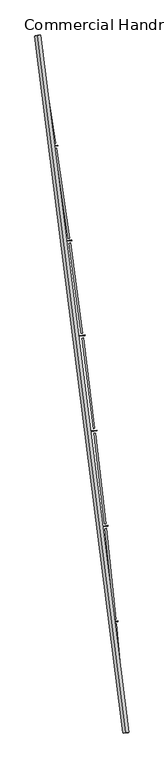
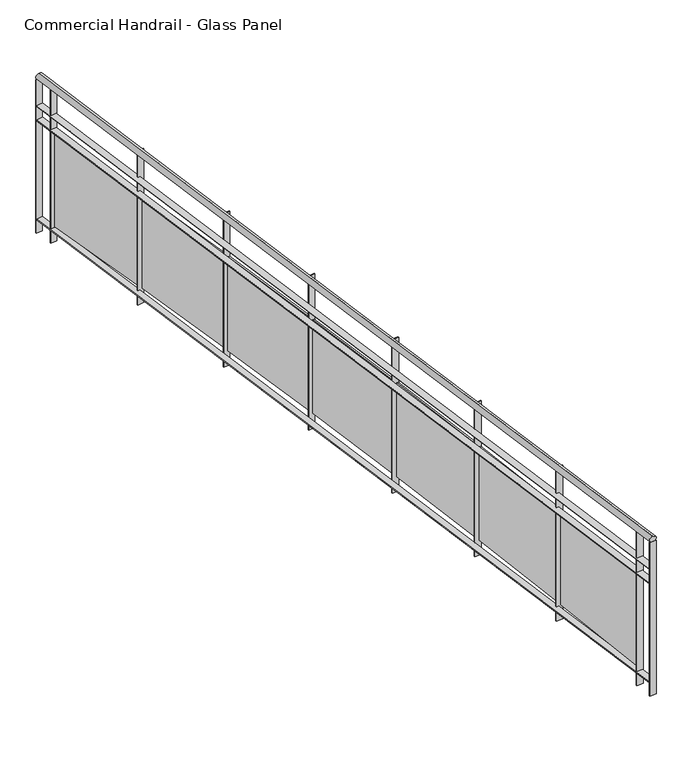
"""IFC4 building model written with IfcOpenShell, lengths in millimetres: railing geometry, Commercial Handrail - Glass Panel."""

from ifc_helpers import new_model, si_unit, point, frame, origin, place, context, project, spatial, polyline, circle_curve, ellipse_curve, trimmed, outline, extrude, source, transform, mapped, element, save
from ifc_brep_helpers import plane_surface, cylinder_surface, revolved_surface, advanced_brep


def commercial_handrail_glass_panel_e3afb33d(model_context):
    return source(origin(), model_context, "Body", "SolidModel", [
        advanced_brep(
        [(182571.9295754, -52879.5364282, 33282.5), (181834.8110467, -47067.1917957, 33282.5), (181834.8110467, -47067.1917957, 33317.5), (182571.9295754, -52879.5364282, 33317.5)],
        [
            (0, 1, circle_curve(frame((104368.4569212, -59844.3474174, 33282.5), z_axis=(0.0, 0.0, 1.0), x_axis=(0.9866690945138685, 0.16273935581531185, 0.0)), 78513.0035554)),
            (1, 2, ellipse_curve(frame((181834.8110467, -47067.1917957, 33300.0), z_axis=(0.16273935581530558, -0.9866690945138697, 0.0), x_axis=(-0.9866690945138695, -0.16273935581530555, 0.0)), 25.0, 17.5)),
            (2, 3, circle_curve(frame((104368.4569212, -59844.3474174, 33317.5), z_axis=(0.0, 0.0, -1.0), x_axis=(0.9866690945138685, 0.16273935581531185, 0.0)), 78513.0035554)),
            (3, 0, ellipse_curve(frame((182571.9295754, -52879.5364282, 33300.0), z_axis=(-0.08870901218759285, 0.9960575842574071, 0.0), x_axis=(-0.9960575842574071, -0.08870901218759285, 0.0)), 25.0, 17.5)),
            (2, 1, ellipse_curve(frame((181834.8110467, -47067.1917957, 33300.0), z_axis=(0.16273935581530558, -0.9866690945138697, 0.0), x_axis=(-0.9866690945138695, -0.16273935581530555, 0.0)), 25.0, 17.5)),
            (0, 3, ellipse_curve(frame((182571.9295754, -52879.5364282, 33300.0), z_axis=(-0.08870901218759285, 0.9960575842574071, 0.0), x_axis=(-0.9960575842574071, -0.08870901218759285, 0.0)), 25.0, 17.5)),
        ],
        [
            revolved_surface(trimmed(ellipse_curve(frame((181834.8110467, -47067.1917957, 33300.0), z_axis=(-0.16273935581531185, 0.9866690945138685, 0.0), x_axis=(0.0, 0.0, -1.0)), 17.5, 25.0), [point((181834.8110467, -47067.1917957, 33317.5))], [point((181834.8110467, -47067.1917957, 33282.5))], True, "CARTESIAN"), (104368.4569212, -59844.3474174, 33300.0), (0.0, 0.0, -1.0)),
            revolved_surface(trimmed(ellipse_curve(frame((181834.8110467, -47067.1917957, 33300.0), z_axis=(-0.16273935581531185, 0.9866690945138685, 0.0), x_axis=(0.0, 0.0, -1.0)), 17.5, 25.0), [point((181834.8110467, -47067.1917957, 33282.5))], [point((181834.8110467, -47067.1917957, 33317.5))], True, "CARTESIAN"), (104368.4569212, -59844.3474174, 33300.0), (0.0, 0.0, -1.0)),
            plane_surface(frame((181834.8110467, -47067.1917957, 33300.0), z_axis=(-0.16273935581531188, 0.9866690945138686, 0.0), x_axis=(0.9866690945138686, 0.16273935581531188, 0.0))),
            plane_surface(frame((182571.9295754, -52879.5364282, 33300.0), z_axis=(0.08870901218759289, -0.9960575842574071, 0.0), x_axis=(0.9960575842574071, 0.08870901218759289, 0.0))),
        ],
        [
            (0, [[1, 2, 3, 4]]),
            (1, [[-3, 5, -1, 6]]),
            (2, [[-2, -5]]),
            (3, [[-6, -4]]),
        ],
    ),
        advanced_brep(
        [(182594.340871, -52877.5404754, 33100.0), (181857.0111014, -47063.5301602, 33100.0), (181812.6109921, -47070.8534312, 33100.0), (182549.5182797, -52881.5323809, 33100.0), (182594.340871, -52877.5404754, 33094.0), (181857.0111014, -47063.5301602, 33094.0), (182549.5182797, -52881.5323809, 33094.0), (181812.6109921, -47070.8534312, 33094.0)],
        [
            (0, 1, circle_curve(frame((104368.4569212, -59844.3474174, 33100.0), z_axis=(0.0, 0.0, 1.0), x_axis=(0.9866690945138685, 0.16273935581531185, 0.0)), 78535.5035554)),
            (1, 2),
            (2, 3, circle_curve(frame((104368.4569212, -59844.3474174, 33100.0), z_axis=(0.0, 0.0, -1.0), x_axis=(0.9866690945138685, 0.16273935581531185, 0.0)), 78490.5035554)),
            (3, 0),
            (4, 5, circle_curve(frame((104368.4569212, -59844.3474174, 33094.0), z_axis=(0.0, 0.0, 1.0), x_axis=(0.9866690945138685, 0.16273935581531185, 0.0)), 78535.5035554)),
            (5, 1),
            (0, 4),
            (6, 7, circle_curve(frame((104368.4569212, -59844.3474174, 33094.0), z_axis=(0.0, 0.0, 1.0), x_axis=(0.9866690945138685, 0.16273935581531185, 0.0)), 78490.5035554)),
            (7, 5),
            (4, 6),
            (2, 7),
            (6, 3),
        ],
        [
            plane_surface(frame((104368.4569212, -59844.3474174, 33100.0), z_axis=(0.0, 0.0, 1.0000000000000002), x_axis=(0.9866690945138686, 0.16273935581531188, 0.0))),
            cylinder_surface(frame((104368.4569212, -59844.3474174, 33100.0), z_axis=(0.0, 0.0, -1.0), x_axis=(0.9866690945138685, 0.16273935581531185, 0.0)), 78535.5035554),
            plane_surface(frame((104368.4569212, -59844.3474174, 33094.0), z_axis=(0.0, 0.0, -1.0000000000000002), x_axis=(0.9866690945138686, 0.16273935581531188, 0.0))),
            revolved_surface(polyline([(181812.6109921441, -47070.85343117476, 33094.0), (181812.6109921441, -47070.85343117476, 33100.0)]), (104368.4569212, -59844.3474174, 33100.0), (0.0, 0.0, -1.0)),
            plane_surface(frame((181834.8110467, -47067.1917957, 33100.0), z_axis=(-0.16273935581531188, 0.9866690945138686, 0.0), x_axis=(0.9866690945138686, 0.16273935581531188, 0.0))),
            plane_surface(frame((182571.9295754, -52879.5364282, 33100.0), z_axis=(0.08870901218759289, -0.9960575842574071, 0.0), x_axis=(0.9960575842574071, 0.08870901218759289, 0.0))),
        ],
        [
            (0, [[1, 2, 3, 4]]),
            (1, [[5, 6, -1, 7]]),
            (2, [[8, 9, -5, 10]]),
            (3, [[-3, 11, -8, 12]]),
            (4, [[-2, -6, -9, -11]]),
            (5, [[-12, -10, -7, -4]]),
        ],
    ),
        advanced_brep(
        [(182594.340871, -52877.5404754, 33000.0), (181857.0111014, -47063.5301602, 33000.0), (181812.6109921, -47070.8534312, 33000.0), (182549.5182797, -52881.5323809, 33000.0), (182594.340871, -52877.5404754, 32994.0), (181857.0111014, -47063.5301602, 32994.0), (182549.5182797, -52881.5323809, 32994.0), (181812.6109921, -47070.8534312, 32994.0)],
        [
            (0, 1, circle_curve(frame((104368.4569212, -59844.3474174, 33000.0), z_axis=(0.0, 0.0, 1.0), x_axis=(0.9866690945138685, 0.16273935581531185, 0.0)), 78535.5035554)),
            (1, 2),
            (2, 3, circle_curve(frame((104368.4569212, -59844.3474174, 33000.0), z_axis=(0.0, 0.0, -1.0), x_axis=(0.9866690945138685, 0.16273935581531185, 0.0)), 78490.5035554)),
            (3, 0),
            (4, 5, circle_curve(frame((104368.4569212, -59844.3474174, 32994.0), z_axis=(0.0, 0.0, 1.0), x_axis=(0.9866690945138685, 0.16273935581531185, 0.0)), 78535.5035554)),
            (5, 1),
            (0, 4),
            (6, 7, circle_curve(frame((104368.4569212, -59844.3474174, 32994.0), z_axis=(0.0, 0.0, 1.0), x_axis=(0.9866690945138685, 0.16273935581531185, 0.0)), 78490.5035554)),
            (7, 5),
            (4, 6),
            (2, 7),
            (6, 3),
        ],
        [
            plane_surface(frame((104368.4569212, -59844.3474174, 33000.0), z_axis=(0.0, 0.0, 1.0000000000000002), x_axis=(0.9866690945138686, 0.16273935581531188, 0.0))),
            cylinder_surface(frame((104368.4569212, -59844.3474174, 33000.0), z_axis=(0.0, 0.0, -1.0), x_axis=(0.9866690945138685, 0.16273935581531185, 0.0)), 78535.5035554),
            plane_surface(frame((104368.4569212, -59844.3474174, 32994.0), z_axis=(0.0, 0.0, -1.0000000000000002), x_axis=(0.9866690945138686, 0.16273935581531188, 0.0))),
            revolved_surface(polyline([(181812.6109921441, -47070.85343117476, 32994.0), (181812.6109921441, -47070.85343117476, 33000.0)]), (104368.4569212, -59844.3474174, 33000.0), (0.0, 0.0, -1.0)),
            plane_surface(frame((181834.8110467, -47067.1917957, 33000.0), z_axis=(-0.16273935581531188, 0.9866690945138686, 0.0), x_axis=(0.9866690945138686, 0.16273935581531188, 0.0))),
            plane_surface(frame((182571.9295754, -52879.5364282, 33000.0), z_axis=(0.08870901218759289, -0.9960575842574071, 0.0), x_axis=(0.9960575842574071, 0.08870901218759289, 0.0))),
        ],
        [
            (0, [[1, 2, 3, 4]]),
            (1, [[5, 6, -1, 7]]),
            (2, [[8, 9, -5, 10]]),
            (3, [[-3, 11, -8, 12]]),
            (4, [[-2, -6, -9, -11]]),
            (5, [[-12, -10, -7, -4]]),
        ],
    ),
        advanced_brep(
        [(182594.340871, -52877.5404754, 32300.0), (181857.0111014, -47063.5301602, 32300.0), (181812.6109921, -47070.8534312, 32300.0), (182549.5182797, -52881.5323809, 32300.0), (182594.340871, -52877.5404754, 32294.0), (181857.0111014, -47063.5301602, 32294.0), (182549.5182797, -52881.5323809, 32294.0), (181812.6109921, -47070.8534312, 32294.0)],
        [
            (0, 1, circle_curve(frame((104368.4569212, -59844.3474174, 32300.0), z_axis=(0.0, 0.0, 1.0), x_axis=(0.9866690945138685, 0.16273935581531185, 0.0)), 78535.5035554)),
            (1, 2),
            (2, 3, circle_curve(frame((104368.4569212, -59844.3474174, 32300.0), z_axis=(0.0, 0.0, -1.0), x_axis=(0.9866690945138685, 0.16273935581531185, 0.0)), 78490.5035554)),
            (3, 0),
            (4, 5, circle_curve(frame((104368.4569212, -59844.3474174, 32294.0), z_axis=(0.0, 0.0, 1.0), x_axis=(0.9866690945138685, 0.16273935581531185, 0.0)), 78535.5035554)),
            (5, 1),
            (0, 4),
            (6, 7, circle_curve(frame((104368.4569212, -59844.3474174, 32294.0), z_axis=(0.0, 0.0, 1.0), x_axis=(0.9866690945138685, 0.16273935581531185, 0.0)), 78490.5035554)),
            (7, 5),
            (4, 6),
            (2, 7),
            (6, 3),
        ],
        [
            plane_surface(frame((104368.4569212, -59844.3474174, 32300.0), z_axis=(0.0, 0.0, 1.0000000000000002), x_axis=(0.9866690945138686, 0.16273935581531188, 0.0))),
            cylinder_surface(frame((104368.4569212, -59844.3474174, 32300.0), z_axis=(0.0, 0.0, -1.0), x_axis=(0.9866690945138685, 0.16273935581531185, 0.0)), 78535.5035554),
            plane_surface(frame((104368.4569212, -59844.3474174, 32294.0), z_axis=(0.0, 0.0, -1.0000000000000002), x_axis=(0.9866690945138686, 0.16273935581531188, 0.0))),
            revolved_surface(polyline([(181812.6109921441, -47070.85343117476, 32294.0), (181812.6109921441, -47070.85343117476, 32300.0)]), (104368.4569212, -59844.3474174, 32300.0), (0.0, 0.0, -1.0)),
            plane_surface(frame((181834.8110467, -47067.1917957, 32300.0), z_axis=(-0.16273935581531188, 0.9866690945138686, 0.0), x_axis=(0.9866690945138686, 0.16273935581531188, 0.0))),
            plane_surface(frame((182571.9295754, -52879.5364282, 32300.0), z_axis=(0.08870901218759289, -0.9960575842574071, 0.0), x_axis=(0.9960575842574071, 0.08870901218759289, 0.0))),
        ],
        [
            (0, [[1, 2, 3, 4]]),
            (1, [[5, 6, -1, 7]]),
            (2, [[8, 9, -5, 10]]),
            (3, [[-3, 11, -8, 12]]),
            (4, [[-2, -6, -9, -11]]),
            (5, [[-12, -10, -7, -4]]),
        ],
    ),
        extrude(outline(polyline([(182537.5994721, -52748.9749653), (182582.4153855, -52744.9087751), (182582.9575442, -52750.8842302), (182538.1416308, -52754.9504204), (182537.5994721, -52748.9749653)])), frame((0.0, 0.0, 32200.0), z_axis=(0.0, 0.0, 1.0), x_axis=(1.0, 0.0, 0.0)), (0.0, 0.0, 1.0), 1082.1192282),
        extrude(outline(polyline([(182492.8282703, -51972.8214769), (182565.3569267, -52729.3527677), (182553.4116957, -52730.497957), (182480.8830394, -51973.9666662), (182492.8282703, -51972.8214769)])), frame((0.0, 0.0, 32320.0), z_axis=(0.0, 0.0, 1.0), x_axis=(1.0, 0.0, 0.0)), (0.0, 0.0, 1.0), 660.0),
        extrude(outline(polyline([(182461.2452987, -51952.8608143), (182506.0174543, -51948.3381961), (182506.6204701, -51954.3078168), (182461.8483144, -51958.830435), (182461.2452987, -51952.8608143)])), frame((0.0, 0.0, 32200.0), z_axis=(0.0, 0.0, 1.0), x_axis=(1.0, 0.0, 0.0)), (0.0, 0.0, 1.0), 1082.1192282),
        extrude(outline(polyline([(182408.5680235, -51177.2038007), (182488.8013774, -51932.9568086), (182476.8684352, -51934.223651), (182396.6350812, -51178.4706431), (182408.5680235, -51177.2038007)])), frame((0.0, 0.0, 32320.0), z_axis=(0.0, 0.0, 1.0), x_axis=(1.0, 0.0, 0.0)), (0.0, 0.0, 1.0), 660.0),
        extrude(outline(polyline([(182376.7833078, -51157.5659801), (182421.5070573, -51152.5874034), (182422.1708676, -51158.55057), (182377.447118, -51163.5291467), (182376.7833078, -51157.5659801)])), frame((0.0, 0.0, 32200.0), z_axis=(0.0, 0.0, 1.0), x_axis=(1.0, 0.0, 0.0)), (0.0, 0.0, 1.0), 1082.1192282),
        extrude(outline(polyline([(182316.2054283, -50382.4859723), (182404.1351498, -51137.3822327), (182392.2157352, -51138.7705968), (182304.2860136, -50383.8743363), (182316.2054283, -50382.4859723)])), frame((0.0, 0.0, 32320.0), z_axis=(0.0, 0.0, 1.0), x_axis=(1.0, 0.0, 0.0)), (0.0, 0.0, 1.0), 660.0),
        extrude(outline(polyline([(182284.2222685, -50363.1730325), (182328.8929686, -50357.7390141), (182329.6175044, -50363.6951075), (182284.9468043, -50369.1291258), (182284.2222685, -50363.1730325)])), frame((0.0, 0.0, 32200.0), z_axis=(0.0, 0.0, 1.0), x_axis=(1.0, 0.0, 0.0)), (0.0, 0.0, 1.0), 1082.1192282),
        extrude(outline(polyline([(182215.750074, -49588.7505014), (182311.3670341, -50342.711639), (182299.4623845, -50344.2213805), (182203.8454245, -49590.2602429), (182215.750074, -49588.7505014)])), frame((0.0, 0.0, 32320.0), z_axis=(0.0, 0.0, 1.0), x_axis=(1.0, 0.0, 0.0)), (0.0, 0.0, 1.0), 660.0),
        extrude(outline(polyline([(182183.5717908, -49569.7644476), (182228.1848036, -49563.8755518), (182228.9699897, -49569.8239535), (182184.3569769, -49575.7128493), (182183.5717908, -49569.7644476)])), frame((0.0, 0.0, 32200.0), z_axis=(0.0, 0.0, 1.0), x_axis=(1.0, 0.0, 0.0)), (0.0, 0.0, 1.0), 1082.1192282),
        extrude(outline(polyline([(182107.2123904, -48796.0797961), (182210.5066616, -49549.0275324), (182198.6180132, -49550.6584945), (182095.3237419, -48797.7107583), (182107.2123904, -48796.0797961)])), frame((0.0, 0.0, 32320.0), z_axis=(0.0, 0.0, 1.0), x_axis=(1.0, 0.0, 0.0)), (0.0, 0.0, 1.0), 660.0),
        extrude(outline(polyline([(182074.8423245, -48777.4225994), (182119.3930181, -48771.0794376), (182120.238773, -48777.0195301), (182075.6880794, -48783.3626919), (182074.8423245, -48777.4225994)])), frame((0.0, 0.0, 32200.0), z_axis=(0.0, 0.0, 1.0), x_axis=(1.0, 0.0, 0.0)), (0.0, 0.0, 1.0), 1082.1192282),
        extrude(outline(polyline([(181990.6036459, -48004.5561536), (182101.5645041, -48756.4123154), (182089.6930911, -48758.1643289), (181978.7322329, -48006.3081672), (181990.6036459, -48004.5561536)])), frame((0.0, 0.0, 32320.0), z_axis=(0.0, 0.0, 1.0), x_axis=(1.0, 0.0, 0.0)), (0.0, 0.0, 1.0), 660.0),
        extrude(outline(polyline([(181958.0451582, -47986.2297512), (182002.5289072, -47979.4329819), (182003.4351431, -47985.3641484), (181958.9513941, -47992.1609177), (181958.0451582, -47986.2297512)])), frame((0.0, 0.0, 32200.0), z_axis=(0.0, 0.0, 1.0), x_axis=(1.0, 0.0, 0.0)), (0.0, 0.0, 1.0), 1082.1192282),
        extrude(outline(polyline([(181865.9359474, -47214.2617523), (181984.5518723, -47964.9482797), (181972.6989271, -47966.8211627), (181854.0830022, -47216.1346353), (181865.9359474, -47214.2617523)])), frame((0.0, 0.0, 32320.0), z_axis=(0.0, 0.0, 1.0), x_axis=(1.0, 0.0, 0.0)), (0.0, 0.0, 1.0), 660.0),
        extrude(outline(polyline([(181833.1924181, -47196.2680467), (181877.6046042, -47189.0183756), (181878.571227, -47194.9400004), (181834.1590409, -47202.1896715), (181833.1924181, -47196.2680467)])), frame((0.0, 0.0, 32200.0), z_axis=(0.0, 0.0, 1.0), x_axis=(1.0, 0.0, 0.0)), (0.0, 0.0, 1.0), 1082.1192282),
        extrude(outline(polyline([(182549.2521527, -52878.5442082), (182594.074744, -52874.5523026), (182594.606998, -52880.5286481), (182549.7844067, -52884.5205537), (182549.2521527, -52878.5442082)])), frame((0.0, 0.0, 32200.0), z_axis=(0.0, 0.0, 1.0), x_axis=(1.0, 0.0, 0.0)), (0.0, 0.0, 1.0), 1082.1192282),
        extrude(outline(polyline([(181812.122774, -47067.8934239), (181856.5228833, -47060.5701529), (181857.4993194, -47066.4901675), (181813.0992102, -47073.8134385), (181812.122774, -47067.8934239)])), frame((0.0, 0.0, 32200.0), z_axis=(0.0, 0.0, 1.0), x_axis=(1.0, 0.0, 0.0)), (0.0, 0.0, 1.0), 1082.1192282),
    ])


if __name__ == "__main__":
    model = new_model("IFC4")
    model_context = context("Model", 3, world=origin())
    ifc_project = project(units=[si_unit("LENGTHUNIT", "METRE", prefix="MILLI")], contexts=[model_context])
    site = spatial("IfcSite", under=ifc_project)
    building = spatial("IfcBuilding", under=site)
    placement = place(None, origin())
    commercial_handrail_glass_panel_shape = commercial_handrail_glass_panel_e3afb33d(model_context)
    element("IfcRailing", 1, ObjectType="Commercial Handrail - Glass Panel", at=placement, inside=building, context=model_context, shape_type="MappedRepresentation", body=[
        mapped(commercial_handrail_glass_panel_shape, transform((0.0, 0.0, 0.0), x_axis=(1.0, 0.0, 0.0), y_axis=(0.0, 1.0, 0.0), z_axis=(0.0, 0.0, 1.0))),
    ])
    save(model, "model.ifc")
